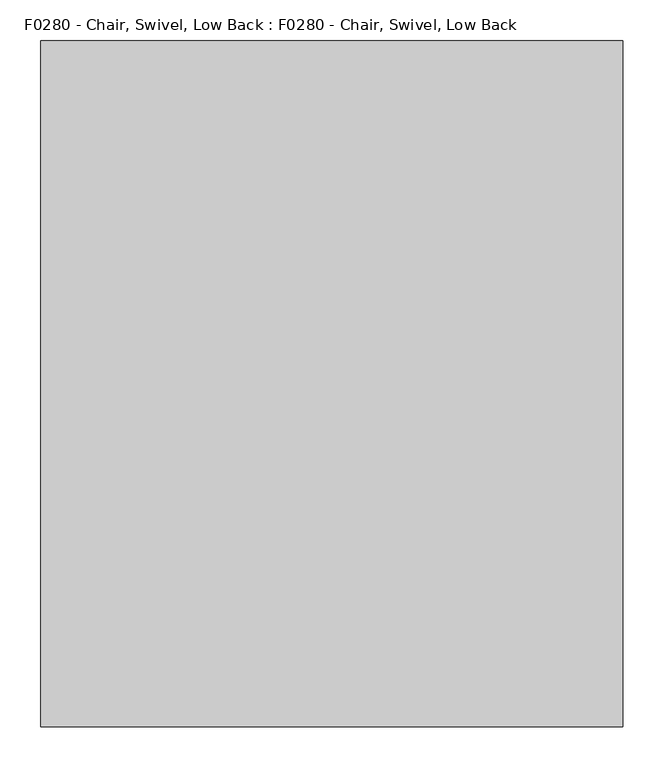
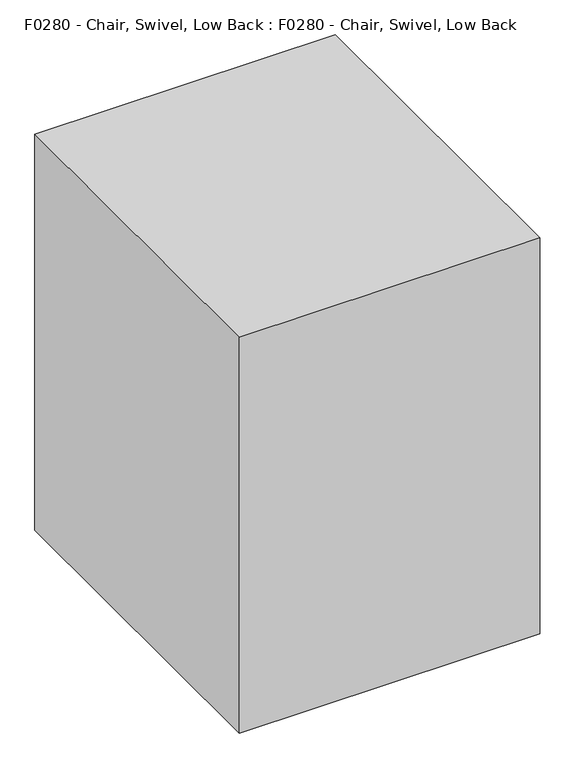
"""IFC4 building model written with IfcOpenShell, lengths in millimetres: proxy geometry, F0280 - Chair, Swivel, Low Back : F0280 - Chair, Swivel, Low Back."""

from ifc_helpers import new_model, si_unit, point, frame, frame_2d, origin, origin_with_axes, origin_2d, place, context, project, spatial, polyline, circle_curve, ellipse_curve, trimmed, segment, composite_curve, outline, extrude, source, transform, mapped, element, save
from ifc_brep_helpers import plane_surface, cylinder_surface, revolved_surface, advanced_brep


def f0280_chair_swivel_low_back_f0280_chair_swivel_low_back_fbc83231(model_context):
    return source(origin(), model_context, "Body", "SolidModel", [
        advanced_brep(
        [(20.5891067, -0.9088165, 158.3164474), (20.5891067, -0.9088165, 212.7487443), (12.606954, 16.2089653, 212.7487443), (12.606954, 16.2089653, 158.3164474), (283.7284885, 121.7950923, 57.6571213), (283.7284885, 121.7950923, 86.0096871), (287.501904, 133.9556376, 82.2734822), (275.3053581, 138.7072429, 86.2220806), (275.3053581, 138.7072429, 57.8258095), (287.501904, 133.9556376, 54.689734)],
        [
            (0, 1),
            (1, 2),
            (2, 3),
            (3, 0),
            (0, 4),
            (4, 5),
            (5, 1),
            (5, 6, ellipse_curve(frame((278.918781, 129.9532617, 86.4074773), z_axis=(0.3625792018206629, 0.16907345849670724, 0.9164881276039822), x_axis=(0.8306203267741233, 0.3873246193939933, -0.40006188516396646)), 10.333389, 9.4704283)),
            (6, 7, ellipse_curve(frame((278.918781, 129.9532617, 86.4074773), z_axis=(0.3625792018206629, 0.16907345849670724, 0.9164881276039822), x_axis=(0.8306203267741233, 0.3873246193939933, -0.40006188516396646)), 10.333389, 9.4704283)),
            (7, 2),
            (7, 8),
            (8, 3),
            (8, 9, ellipse_curve(frame((278.918781, 129.9532617, 57.9730562), z_axis=(-0.2968743688836678, -0.13843479172039067, -0.9448287768380342), x_axis=(0.8563056778646188, 0.3993018953098915, -0.3275646233321667)), 10.0234334, 9.4704283)),
            (9, 4, ellipse_curve(frame((278.918781, 129.9532617, 57.9730562), z_axis=(-0.2968743688836678, -0.13843479172039067, -0.9448287768380342), x_axis=(0.8563056778646188, 0.3993018953098915, -0.3275646233321667)), 10.0234334, 9.4704283)),
            (6, 9),
        ],
        [
            plane_surface(frame((16.5980304, 7.6500744, 185.5325958), z_axis=(-0.9063077870366449, -0.42261826174071043, 0.0), x_axis=(-0.42261826174071043, 0.9063077870366449, 0.0))),
            plane_surface(frame((20.5891067, -0.9088165, 185.5325958), z_axis=(0.4226182617407104, -0.9063077870366448, 0.0), x_axis=(0.0, 0.0, 1.0))),
            plane_surface(frame((16.5980304, 7.6500744, 212.7487443), z_axis=(0.36257920182066294, 0.16907345849670727, 0.9164881276039825), x_axis=(-0.42261826174071043, 0.9063077870366449, 0.0))),
            plane_surface(frame((12.606954, 16.2089653, 185.5325958), z_axis=(-0.4226182617407102, 0.906307787036645, 0.0), x_axis=(0.0, 0.0, -1.0))),
            plane_surface(frame((16.5980304, 7.6500744, 158.3164474), z_axis=(-0.29687436888366786, -0.1384347917203907, -0.9448287768380345), x_axis=(0.42261826174071043, -0.9063077870366449, 0.0))),
            cylinder_surface(frame((278.918781, 129.9532617, 0.0), z_axis=(0.0, 0.0, -1.0000000000000002), x_axis=(-0.9063077870366449, -0.42261826174071043, 0.0)), 9.4704283),
        ],
        [
            (0, [[1, 2, 3, 4]]),
            (1, [[5, 6, 7, -1]]),
            (2, [[-7, 8, 9, 10, -2]]),
            (3, [[-10, 11, 12, -3]]),
            (4, [[-12, 13, 14, -5, -4]]),
            (5, [[-13, -11, -9, 15]]),
            (5, [[-8, -6, -14, -15]]),
        ],
    ),
        extrude(outline(composite_curve([segment(trimmed(circle_curve(frame_2d((-0.4565328, -0.2009494)), 25.4), [point((24.9434672, -0.2009494))], [point((-25.8565328, -0.2009494))], False, "CARTESIAN"), True, "CONTINUOUS"), segment(trimmed(circle_curve(frame_2d((-0.4565328, -0.2009494)), 25.4), [point((-25.8565328, -0.2009494))], [point((24.9434672, -0.2009494))], False, "CARTESIAN"), True, "CONTINUOUS")], self_intersect=False)), frame((0.0, 0.0, 154.0271692), z_axis=(0.0, 0.0, 1.0), x_axis=(1.0, 0.0, 0.0)), (0.0, 0.0, 1.0), 58.7215752),
        advanced_brep(
        [(-229.5082147, 191.2947504, 328.6387079), (-229.5082147, 216.926585, 331.293346), (236.3508412, 215.7557493, 331.1720849), (232.0214447, 190.8605661, 328.5937403), (-229.5082147, 284.2177228, 855.6310718), (232.0214447, 283.8251028, 855.8218273), (236.3508412, 306.337077, 844.8843217), (-229.5082147, 307.3958289, 844.3699241)],
        [
            (0, 1, circle_curve(frame((-229.5082147, 204.1106677, 329.9660269), z_axis=(0.0, 0.10301698777210262, -0.9946795967699159), x_axis=(-1.0, 0.0, 0.0)), 12.8844679)),
            (1, 2, circle_curve(frame((0.0, -1130.5045098, 191.7425871), z_axis=(0.0, 0.10301698777210262, -0.9946795967699159), x_axis=(-1.0, 0.0, 0.0)), 1373.9428628)),
            (2, 3, circle_curve(frame((232.0214447, 203.6806144, 329.9214872), z_axis=(0.0, 0.10301698777210262, -0.9946795967699159), x_axis=(-1.0, 0.0, 0.0)), 12.888621)),
            (3, 0, circle_curve(frame((0.0, -1130.5045098, 191.7425871), z_axis=(0.0, -0.10301698777210262, 0.9946795967699159), x_axis=(-1.0, 0.0, 0.0)), 1348.5428628)),
            (4, 5, circle_curve(frame((0.0, -911.0460573, 1436.3533187), z_axis=(0.0, -0.4370047614753844, -0.8994591922082082), x_axis=(-1.0, 0.0, 0.0)), 1348.5428628)),
            (5, 6, circle_curve(frame((232.0214447, 295.4178914, 850.1894385), z_axis=(0.0, 0.4370047614753844, 0.8994591922082082), x_axis=(-1.0, 0.0, 0.0)), 12.888621)),
            (6, 7, circle_curve(frame((0.0, -911.0460573, 1436.3533187), z_axis=(0.0, 0.4370047614753844, 0.8994591922082082), x_axis=(-1.0, 0.0, 0.0)), 1373.9428628)),
            (7, 4, circle_curve(frame((-229.5082147, 295.8067759, 850.0004979), z_axis=(0.0, 0.4370047614753844, 0.8994591922082082), x_axis=(-1.0, 0.0, 0.0)), 12.8844679)),
            (4, 0, circle_curve(frame((-229.5082147, 1161.9751957, 429.1701512), z_axis=(1.0, 0.0, 0.0), x_axis=(0.0, -0.9946795967699159, -0.10301698777210261)), 975.8724803)),
            (3, 5, circle_curve(frame((232.0214447, 1161.9751957, 429.1701512), z_axis=(-1.0, 0.0, 0.0), x_axis=(0.0, -0.9946795967699159, -0.10301698777210261)), 976.308987)),
            (2, 6, circle_curve(frame((236.3508412, 1161.9751957, 429.1701512), z_axis=(-1.0, 0.0, 0.0), x_axis=(0.0, -0.9946795967699159, -0.10301698777210261)), 951.280643)),
            (1, 7, circle_curve(frame((-229.5082147, 1161.9751957, 429.1701512), z_axis=(-1.0, 0.0, 0.0), x_axis=(0.0, -0.9946795967699159, -0.10301698777210261)), 950.1035446)),
        ],
        [
            plane_surface(frame((-317.5, 173.1564347, 326.7601586), z_axis=(0.0, 0.10301698777210258, -0.994679596769916), x_axis=(-1.0, 0.0, 0.0))),
            plane_surface(frame((-317.5, 267.815783, 863.6), z_axis=(0.0, 0.4370047614753844, 0.8994591922082082), x_axis=(-1.0, 0.0, 0.0))),
            revolved_surface(trimmed(ellipse_curve(frame((0.0, -1130.5045098, 191.7425871), z_axis=(0.0, 0.10301698777210262, -0.9946795967699159), x_axis=(-1.0, 0.0, 0.0)), 1348.5428628, 1348.5428628), [point((-229.5082147, 191.2947504, 328.6387079))], [point((232.0214447, 190.8605661, 328.5937403))], True, "CARTESIAN"), (-317.5, 1161.9751957, 429.1701512), (1.0, 0.0, 0.0)),
            revolved_surface(trimmed(ellipse_curve(frame((232.0214447, 203.6806144, 329.9214872), z_axis=(0.0, -0.10301698777210262, 0.9946795967699159), x_axis=(-1.0, 0.0, 0.0)), 12.888621, 12.888621), [point((232.0214447, 190.8605661, 328.5937403))], [point((236.3508412, 215.7557493, 331.1720849))], True, "CARTESIAN"), (-317.5, 1161.9751957, 429.1701512), (1.0, 0.0, 0.0)),
            revolved_surface(trimmed(ellipse_curve(frame((0.0, -1130.5045098, 191.7425871), z_axis=(0.0, -0.10301698777210262, 0.9946795967699159), x_axis=(-1.0, 0.0, 0.0)), 1373.9428628, 1373.9428628), [point((236.3508412, 215.7557493, 331.1720849))], [point((-229.5082147, 216.926585, 331.293346))], True, "CARTESIAN"), (-317.5, 1161.9751957, 429.1701512), (1.0, 0.0, 0.0)),
            revolved_surface(trimmed(ellipse_curve(frame((-229.5082147, 204.1106677, 329.9660269), z_axis=(0.0, -0.10301698777210262, 0.9946795967699159), x_axis=(-1.0, 0.0, 0.0)), 12.8844679, 12.8844679), [point((-229.5082147, 216.926585, 331.293346))], [point((-229.5082147, 191.2947504, 328.6387079))], True, "CARTESIAN"), (-317.5, 1161.9751957, 429.1701512), (1.0, 0.0, 0.0)),
        ],
        [
            (0, [[1, 2, 3, 4]]),
            (1, [[5, 6, 7, 8]]),
            (2, [[-5, 9, -4, 10]]),
            (3, [[-6, -10, -3, 11]]),
            (4, [[-7, -11, -2, 12]]),
            (5, [[-8, -12, -1, -9]]),
        ],
    ),
        extrude(outline(composite_curve([segment(polyline([(-213.079753, 174.0379297), (221.4112726, 174.0379297), (221.4112726, -182.9075832)]), True, "CONTINUOUS"), segment(trimmed(circle_curve(frame_2d((194.6657598, -182.9075832)), 26.7455128), [point((221.4112726, -182.9075832))], [point((194.6657598, -209.653096))], False, "CARTESIAN"), True, "CONTINUOUS"), segment(polyline([(194.6657598, -209.653096), (-186.3342402, -209.653096)]), True, "CONTINUOUS"), segment(trimmed(circle_curve(frame_2d((-186.3342402, -182.9075832)), 26.7455128), [point((-186.3342402, -209.653096))], [point((-213.079753, -182.9075832))], False, "CARTESIAN"), True, "CONTINUOUS"), segment(polyline([(-213.079753, -182.9075832), (-213.079753, 174.0379297)]), True, "CONTINUOUS")], self_intersect=False)), frame((0.0, 0.0, 324.0440254), z_axis=(0.0, 0.0, 1.0), x_axis=(1.0, 0.0, 0.0)), (0.0, 0.0, 1.0), 67.8491407),
        advanced_brep(
        [(-213.079753, 172.6924168, 391.8931661), (-213.079753, 172.6924168, 324.0440254), (-211.7342402, 174.0379297, 324.0440254), (-211.7342402, 174.0379297, 391.8931661), (-213.079753, -182.9075832, 391.8931661), (-213.079753, -182.9075832, 324.0440254), (-186.3342402, -209.653096, 391.8931661), (-186.3342402, -209.653096, 324.0440254), (194.6657598, -209.653096, 391.8931661), (194.6657598, -209.653096, 324.0440254), (221.4112726, -182.9075832, 391.8931661), (221.4112726, -182.9075832, 324.0440254), (221.4112726, 172.6924168, 391.8931661), (221.4112726, 172.6924168, 324.0440254), (220.0657598, 174.0379297, 391.8931661), (220.0657598, 174.0379297, 324.0440254)],
        [
            (0, 1),
            (1, 2, circle_curve(frame((-211.7342402, 172.6924168, 324.0440254), z_axis=(0.0, 0.0, -1.0), x_axis=(0.0, 1.0, 0.0)), 1.3455128)),
            (2, 3),
            (3, 0, circle_curve(frame((-211.7342402, 172.6924168, 391.8931661), z_axis=(0.0, 0.0, 1.0), x_axis=(0.0, 1.0, 0.0)), 1.3455128)),
            (1, 0, circle_curve(frame((-213.079753, 172.6924168, 357.9685958), z_axis=(0.0, 1.0, 0.0), x_axis=(1.0, 0.0, 0.0)), 33.9245703)),
            (3, 2, circle_curve(frame((-211.7342402, 174.0379297, 357.9685958), z_axis=(-1.0, 0.0, 0.0), x_axis=(0.0, -1.0, 0.0)), 33.9245703)),
            (0, 4),
            (4, 5),
            (5, 1),
            (5, 4, circle_curve(frame((-213.079753, -182.9075832, 357.9685958), z_axis=(0.0, 1.0, 0.0), x_axis=(1.0, 0.0, 0.0)), 33.9245703)),
            (6, 7),
            (7, 5, circle_curve(frame((-186.3342402, -182.9075832, 324.0440254), z_axis=(0.0, 0.0, -1.0), x_axis=(-1.0, 0.0, 0.0)), 26.7455128)),
            (4, 6, circle_curve(frame((-186.3342402, -182.9075832, 391.8931661), z_axis=(0.0, 0.0, 1.0), x_axis=(-1.0, 0.0, 0.0)), 26.7455128)),
            (7, 6, circle_curve(frame((-186.3342402, -209.653096, 357.9685958), z_axis=(-1.0, 0.0, 0.0), x_axis=(0.0, 1.0, 0.0)), 33.9245703)),
            (6, 8),
            (8, 9),
            (9, 7),
            (9, 8, circle_curve(frame((194.6657598, -209.653096, 357.9685958), z_axis=(-1.0, 0.0, 0.0), x_axis=(0.0, 1.0, 0.0)), 33.9245703)),
            (10, 11),
            (11, 9, circle_curve(frame((194.6657598, -182.9075832, 324.0440254), z_axis=(0.0, 0.0, -1.0), x_axis=(0.0, -1.0, 0.0)), 26.7455128)),
            (8, 10, circle_curve(frame((194.6657598, -182.9075832, 391.8931661), z_axis=(0.0, 0.0, 1.0), x_axis=(0.0, -1.0, 0.0)), 26.7455128)),
            (11, 10, circle_curve(frame((221.4112726, -182.9075832, 357.9685958), z_axis=(0.0, -1.0, 0.0), x_axis=(-1.0, 0.0, 0.0)), 33.9245703)),
            (10, 12),
            (12, 13),
            (13, 11),
            (13, 12, circle_curve(frame((221.4112726, 172.6924168, 357.9685958), z_axis=(0.0, -1.0, 0.0), x_axis=(-1.0, 0.0, 0.0)), 33.9245703)),
            (14, 15),
            (15, 13, circle_curve(frame((220.0657598, 172.6924168, 324.0440254), z_axis=(0.0, 0.0, -1.0), x_axis=(1.0, 0.0, 0.0)), 1.3455128)),
            (12, 14, circle_curve(frame((220.0657598, 172.6924168, 391.8931661), z_axis=(0.0, 0.0, 1.0), x_axis=(1.0, 0.0, 0.0)), 1.3455128)),
            (15, 14, circle_curve(frame((220.0657598, 174.0379297, 357.9685958), z_axis=(1.0, 0.0, 0.0), x_axis=(0.0, -1.0, 0.0)), 33.9245703)),
            (14, 3),
            (2, 15),
        ],
        [
            revolved_surface(polyline([(-211.7342402, 174.03792959999998, 324.0440254), (-211.7342402, 174.03792959999998, 391.8931661)]), (-211.7342402, 172.6924168, 0.0), (0.0, 0.0, -1.0)),
            revolved_surface(trimmed(ellipse_curve(frame((-211.7342402, 174.0379297, 357.9685958), z_axis=(-1.0, 0.0, 0.0), x_axis=(0.0, -1.0, 0.0)), 33.9245703, 33.9245703), [point((-211.7342402, 174.0379297, 391.8931661))], [point((-211.7342402, 174.0379297, 324.0440254))], True, "CARTESIAN"), (-211.7342402, 172.6924168, 0.0), (0.0, 0.0, -1.0)),
            plane_surface(frame((-213.079753, 172.6924168, 324.0440254), z_axis=(1.0, 0.0, 0.0), x_axis=(0.0, -1.0, 0.0))),
            cylinder_surface(frame((-213.079753, 172.6924168, 357.9685958), z_axis=(0.0, 1.0, 0.0), x_axis=(1.0, 0.0, 0.0)), 33.9245703),
            revolved_surface(polyline([(-213.079753, -182.9075832, 324.0440254), (-213.079753, -182.9075832, 391.8931661)]), (-186.3342402, -182.9075832, 0.0), (0.0, 0.0, -1.0)),
            revolved_surface(trimmed(ellipse_curve(frame((-213.079753, -182.9075832, 357.9685958), z_axis=(0.0, -1.0, 0.0), x_axis=(1.0, 0.0, 0.0)), 33.9245703, 33.9245703), [point((-213.079753, -182.9075832, 391.8931661))], [point((-213.079753, -182.9075832, 324.0440254))], True, "CARTESIAN"), (-186.3342402, -182.9075832, 0.0), (0.0, 0.0, -1.0)),
            plane_surface(frame((-186.3342402, -209.653096, 324.0440254), z_axis=(0.0, 1.0, 0.0), x_axis=(1.0, 0.0, 0.0))),
            cylinder_surface(frame((-186.3342402, -209.653096, 357.9685958), z_axis=(-1.0, 0.0, 0.0), x_axis=(0.0, 1.0, 0.0)), 33.9245703),
            revolved_surface(polyline([(194.6657598, -209.653096, 324.0440254), (194.6657598, -209.653096, 391.8931661)]), (194.6657598, -182.9075832, 0.0), (0.0, 0.0, -1.0)),
            revolved_surface(trimmed(ellipse_curve(frame((194.6657598, -209.653096, 357.9685958), z_axis=(1.0, 0.0, 0.0), x_axis=(0.0, 1.0, 0.0)), 33.9245703, 33.9245703), [point((194.6657598, -209.653096, 391.8931661))], [point((194.6657598, -209.653096, 324.0440254))], True, "CARTESIAN"), (194.6657598, -182.9075832, 0.0), (0.0, 0.0, -1.0)),
            plane_surface(frame((221.4112726, -182.9075832, 324.0440254), z_axis=(-1.0, 0.0, 0.0), x_axis=(0.0, 1.0, 0.0))),
            cylinder_surface(frame((221.4112726, -182.9075832, 357.9685958), z_axis=(0.0, -1.0, 0.0), x_axis=(-1.0, 0.0, 0.0)), 33.9245703),
            revolved_surface(polyline([(221.4112726, 172.6924168, 324.0440254), (221.4112726, 172.6924168, 391.8931661)]), (220.0657598, 172.6924168, 0.0), (0.0, 0.0, -1.0)),
            revolved_surface(trimmed(ellipse_curve(frame((221.4112726, 172.6924168, 357.9685958), z_axis=(0.0, 1.0, 0.0), x_axis=(-1.0, 0.0, 0.0)), 33.9245703, 33.9245703), [point((221.4112726, 172.6924168, 391.8931661))], [point((221.4112726, 172.6924168, 324.0440254))], True, "CARTESIAN"), (220.0657598, 172.6924168, 0.0), (0.0, 0.0, -1.0)),
            plane_surface(frame((220.0657598, 174.0379297, 324.0440254), z_axis=(0.0, -1.0, 0.0), x_axis=(-1.0, 0.0, 0.0))),
            cylinder_surface(frame((220.0657598, 174.0379297, 357.9685958), z_axis=(1.0, 0.0, 0.0), x_axis=(0.0, -1.0, 0.0)), 33.9245703),
        ],
        [
            (0, [[1, 2, 3, 4]]),
            (1, [[5, -4, 6, -2]]),
            (2, [[7, 8, 9, -1]]),
            (3, [[-9, 10, -7, -5]]),
            (4, [[11, 12, -8, 13]]),
            (5, [[14, -13, -10, -12]]),
            (6, [[15, 16, 17, -11]]),
            (7, [[-17, 18, -15, -14]]),
            (8, [[19, 20, -16, 21]]),
            (9, [[22, -21, -18, -20]]),
            (10, [[23, 24, 25, -19]]),
            (11, [[-25, 26, -23, -22]]),
            (12, [[27, 28, -24, 29]]),
            (13, [[30, -29, -26, -28]]),
            (14, [[31, -3, 32, -27]]),
            (15, [[-32, -6, -31, -30]]),
        ],
    ),
        extrude(outline(composite_curve([segment(trimmed(circle_curve(origin_2d(), 12.7), [point((12.7, 0.0))], [point((-12.7, 0.0))], False, "CARTESIAN"), True, "CONTINUOUS"), segment(trimmed(circle_curve(origin_2d(), 12.7), [point((-12.7, 0.0))], [point((12.7, 0.0))], False, "CARTESIAN"), True, "CONTINUOUS")], self_intersect=False)), frame((0.0, 0.0, 212.7487443), z_axis=(0.0, 0.0, 1.0), x_axis=(1.0, 0.0, 0.0)), (0.0, 0.0, 1.0), 66.217703),
        extrude(outline(polyline([(355.6, -419.1), (-355.6, -419.1), (-355.6, 419.1), (355.6, 419.1), (355.6, -419.1)])), origin_with_axes(), (0.0, 0.0, 1.0), 990.6),
    ])


if __name__ == "__main__":
    model = new_model("IFC4")
    model_context = context("Model", 3, world=origin())
    ifc_project = project(units=[si_unit("LENGTHUNIT", "METRE", prefix="MILLI")], contexts=[model_context])
    site = spatial("IfcSite", under=ifc_project)
    building = spatial("IfcBuilding", under=site)
    placement = place(None, origin())
    f0280_chair_swivel_low_back_f0280_chair_swivel_low_back_shape = f0280_chair_swivel_low_back_f0280_chair_swivel_low_back_fbc83231(model_context)
    element("IfcBuildingElementProxy", 1, Name="F0280 - Chair, Swivel, Low Back : F0280 - Chair, Swivel, Low Back", ObjectType="F0280 - Chair, Swivel, Low Back : F0280 - Chair, Swivel, Low Back", at=placement, inside=building, context=model_context, shape_type="MappedRepresentation", body=[
        mapped(f0280_chair_swivel_low_back_f0280_chair_swivel_low_back_shape, transform((0.0, 0.0, 0.0), x_axis=(1.0, 0.0, 0.0), y_axis=(0.0, 1.0, 0.0), z_axis=(0.0, 0.0, 1.0))),
    ])
    save(model, "model.ifc")
